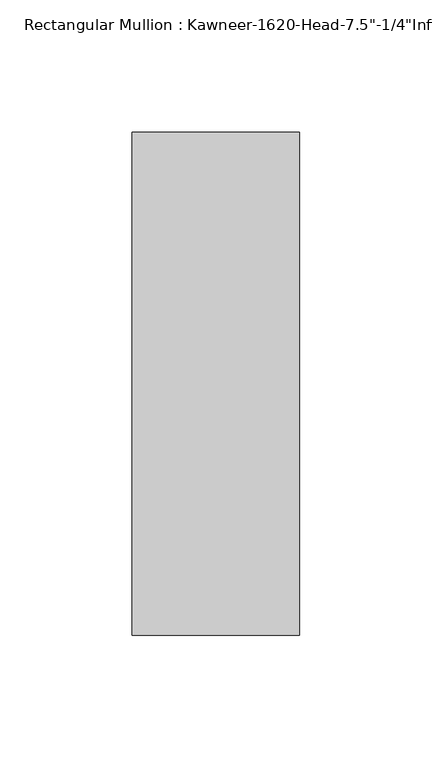
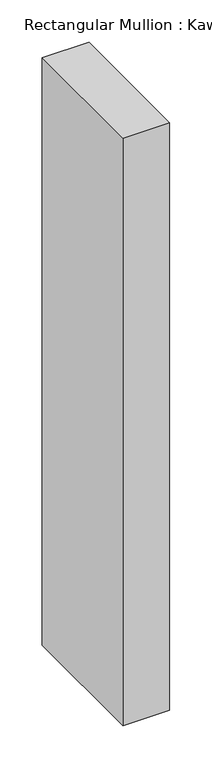
"""IFC4 building model written with IfcOpenShell, lengths in millimetres: member geometry."""

from ifc_helpers import new_model, si_unit, frame, origin, place, context, project, spatial, polyline, outline, extrude, source, transform, mapped, element, save


def member_a48716a1(model_context):
    return source(origin(), model_context, "Body", "SweptSolid", [
        extrude(outline(polyline([(-22.225, 28.575), (41.275, 28.575), (41.275, -161.925), (-22.225, -161.925), (-22.225, 28.575)])), frame((0.0, 0.0, -845.4182369), z_axis=(0.0, 0.0, 1.0), x_axis=(1.0, 0.0, 0.0)), (0.0, 0.0, 1.0), 845.4182369),
    ])


if __name__ == "__main__":
    model = new_model("IFC4")
    model_context = context("Model", 3, world=origin())
    ifc_project = project(units=[si_unit("LENGTHUNIT", "METRE", prefix="MILLI")], contexts=[model_context])
    site = spatial("IfcSite", under=ifc_project)
    building = spatial("IfcBuilding", under=site)
    placement = place(None, origin())
    member_shape = member_a48716a1(model_context)
    element("IfcMember", 1, ObjectType="Rectangular Mullion : Kawneer-1620-Head-7.5\"-1/4\"Infill-1C", at=placement, inside=building, context=model_context, shape_type="MappedRepresentation", body=[
        mapped(member_shape, transform((0.0, 0.0, 0.0), x_axis=(1.0, 0.0, 0.0), y_axis=(0.0, 1.0, 0.0), z_axis=(0.0, 0.0, 1.0))),
    ])
    save(model, "model.ifc")
